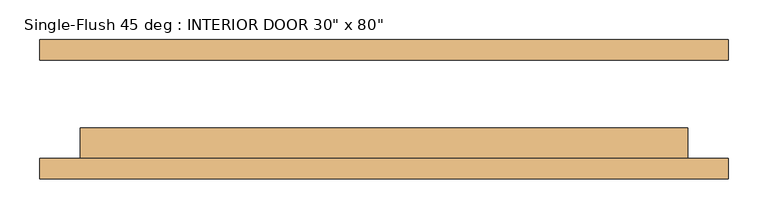
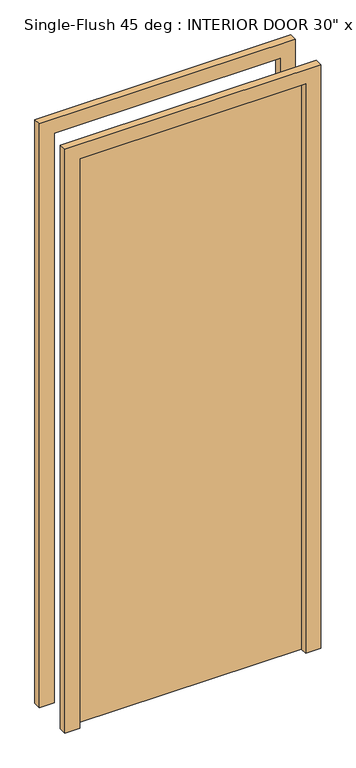
"""IFC4 building model written with IfcOpenShell, lengths in millimetres: door geometry."""

from ifc_helpers import new_model, si_unit, frame, origin, origin_with_axes, place, context, project, spatial, polyline, outline, extrude, source, transform, mapped, element, save


def door_53934c31(model_context):
    return source(origin(), model_context, "Body", "SweptSolid", [
        extrude(outline(polyline([(381.0, -23.8125), (381.0, -61.9125), (-381.0, -61.9125), (-381.0, -23.8125), (381.0, -23.8125)])), origin_with_axes(), (0.0, 0.0, 1.0), 2032.0),
        extrude(outline(polyline([(2082.8, -431.8), (0.0, -431.8), (0.0, -381.0), (2032.0, -381.0), (2032.0, 381.0), (0.0, 381.0), (0.0, 431.8), (2082.8, 431.8), (2082.8, -431.8)])), frame((0.0, -87.3125, 0.0), z_axis=(0.0, 1.0, 0.0), x_axis=(0.0, 0.0, 1.0)), (0.0, 0.0, 1.0), 25.4),
        extrude(outline(polyline([(2082.8, 431.8), (2082.8, -431.8), (0.0, -431.8), (0.0, -381.0), (2032.0, -381.0), (2032.0, 381.0), (0.0, 381.0), (0.0, 431.8), (2082.8, 431.8)])), frame((0.0, 61.9125, 0.0), z_axis=(0.0, 1.0, 0.0), x_axis=(0.0, 0.0, 1.0)), (0.0, 0.0, 1.0), 25.4),
    ])


if __name__ == "__main__":
    model = new_model("IFC4")
    model_context = context("Model", 3, world=origin())
    ifc_project = project(units=[si_unit("LENGTHUNIT", "METRE", prefix="MILLI")], contexts=[model_context])
    site = spatial("IfcSite", under=ifc_project)
    building = spatial("IfcBuilding", under=site)
    placement = place(None, origin())
    door_shape = door_53934c31(model_context)
    element("IfcDoor", 1, ObjectType="Single-Flush 45 deg : INTERIOR DOOR 30\" x 80\"", at=placement, inside=building, context=model_context, shape_type="MappedRepresentation", body=[
        mapped(door_shape, transform((0.0, 0.0, 0.0), x_axis=(1.0, 0.0, 0.0), y_axis=(0.0, 1.0, 0.0), z_axis=(0.0, 0.0, 1.0))),
    ])
    save(model, "model.ifc")
